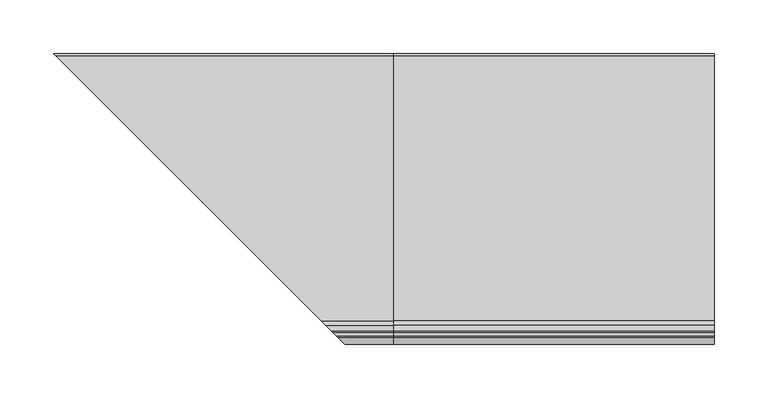
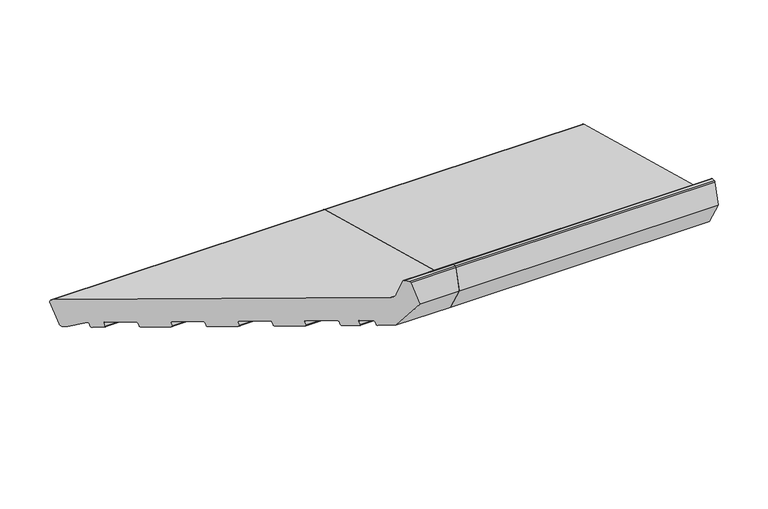
"""IFC4 building model written with IfcOpenShell, lengths in millimetres: proxy geometry."""

from ifc_helpers import new_model, si_unit, point, frame, frame_2d, origin, place, context, project, spatial, polyline, circle_curve, ellipse_curve, trimmed, segment, composite_curve, outline, extrude, source, transform, mapped, element, save
from ifc_brep_helpers import plane_surface, cylinder_surface, revolved_surface, advanced_brep


def generic_models_703a794d(model_context):
    return source(origin(), model_context, "Body", "SolidModel", [
        advanced_brep(
        [(0.0, 24.3497968, 5.5107678), (0.0, 28.0240314, 7.6320881), (0.0, 34.7533266, 32.7461596), (0.0, 32.6320062, 36.4203942), (0.0, -215.1626434, 102.8167705), (0.0, -219.4052841, 107.0594112), (0.0, -224.1879801, 124.908676), (0.0, -225.6368689, 126.0204474), (0.0, -228.9802434, 126.0204474), (0.0, -230.4291321, 124.908676), (0.0, -237.0, 100.3858631), (0.0, -219.3223305, 69.7672413), (0.0, -205.7993689, 66.1437747), (0.0, -204.574624, 66.8508815), (0.0, -203.5393479, 70.7145848), (0.0, -202.314603, 71.4216916), (0.0, -192.6553447, 68.8335011), (0.0, -191.9482379, 67.6087562), (0.0, -192.9835141, 63.7450529), (0.0, -192.2764073, 62.5203081), (0.0, -179.7193716, 59.1556605), (0.0, -178.4946267, 59.8627673), (0.0, -177.4593505, 63.7264706), (0.0, -176.2346057, 64.4335773), (0.0, -153.0523858, 58.2219203), (0.0, -152.3452791, 56.9971754), (0.0, -153.3805552, 53.1334721), (0.0, -152.6734485, 51.9087272), (0.0, -130.4571545, 45.9558892), (0.0, -129.2324096, 46.662996), (0.0, -128.1971334, 50.5266993), (0.0, -126.9723885, 51.233806), (0.0, -103.7901687, 45.022149), (0.0, -103.0830619, 43.7974041), (0.0, -104.1183381, 39.9337008), (0.0, -103.4112313, 38.7089559), (0.0, -81.1949373, 32.7561179), (0.0, -79.9701924, 33.4632247), (0.0, -78.9349163, 37.326928), (0.0, -77.7101714, 38.0340347), (0.0, -54.5279516, 31.8223777), (0.0, -53.8208448, 30.5976328), (0.0, -54.856121, 26.7339295), (0.0, -54.1490142, 25.5091846), (0.0, -31.9327202, 19.5563466), (0.0, -30.7079753, 20.2634534), (0.0, -29.6726991, 24.1271567), (0.0, -28.4479542, 24.8342634), (0.0, -5.2657344, 18.6226064), (0.0, -4.5586276, 17.3978615), (0.0, -5.5939038, 13.5341582), (0.0, -4.886797, 12.3094133), (0.0, 3.8065354, 9.9800419), (0.0, 5.0312803, 10.6871487), (0.0, 5.9805337, 14.2298107), (0.0, 7.4647895, 14.8261724), (0.0, 21.6330192, 6.2387261), (-306.3497968, 24.3497968, 5.5107678), (-310.0240314, 28.0240314, 7.6320881), (-316.7533266, 34.7533266, 32.7461596), (-314.6320062, 32.6320062, 36.4203942), (-66.8373566, -215.1626434, 102.8167705), (-62.5947159, -219.4052841, 107.0594112), (-57.8120199, -224.1879801, 124.908676), (-56.3631311, -225.6368689, 126.0204474), (-53.0197566, -228.9802434, 126.0204474), (-51.5708679, -230.4291321, 124.908676), (-45.0, -237.0, 100.3858631), (-62.6776695, -219.3223305, 69.7672413), (-76.2006311, -205.7993689, 66.1437747), (-77.425376, -204.574624, 66.8508815), (-78.4606521, -203.5393479, 70.7145848), (-79.685397, -202.314603, 71.4216916), (-89.3446553, -192.6553447, 68.8335011), (-90.0517621, -191.9482379, 67.6087562), (-89.0164859, -192.9835141, 63.7450529), (-89.7235927, -192.2764073, 62.5203081), (-102.2806284, -179.7193716, 59.1556605), (-103.5053733, -178.4946267, 59.8627673), (-104.5406495, -177.4593505, 63.7264706), (-105.7653943, -176.2346057, 64.4335773), (-303.6330192, 21.6330192, 6.2387261), (-128.9476142, -153.0523858, 58.2219203), (-128.6194448, -153.3805552, 53.1334721), (-129.3265515, -152.6734485, 51.9087272), (-129.6547209, -152.3452791, 56.9971754), (-151.5428455, -130.4571545, 45.9558892), (-152.7675904, -129.2324096, 46.662996), (-153.8028666, -128.1971334, 50.5266993), (-155.0276115, -126.9723885, 51.233806), (-178.2098313, -103.7901687, 45.022149), (-289.4647895, 7.4647895, 14.8261724), (-287.9805337, 5.9805337, 14.2298107), (-287.0312803, 5.0312803, 10.6871487), (-285.8065354, 3.8065354, 9.9800419), (-277.113203, -4.886797, 12.3094133), (-276.4060962, -5.5939038, 13.5341582), (-277.4413724, -4.5586276, 17.3978615), (-276.7342656, -5.2657344, 18.6226064), (-253.5520458, -28.4479542, 24.8342634), (-252.3273009, -29.6726991, 24.1271567), (-251.2920247, -30.7079753, 20.2634534), (-250.0672798, -31.9327202, 19.5563466), (-227.8509858, -54.1490142, 25.5091846), (-227.143879, -54.856121, 26.7339295), (-228.1791552, -53.8208448, 30.5976328), (-227.4720484, -54.5279516, 31.8223777), (-204.2898286, -77.7101714, 38.0340347), (-203.0650837, -78.9349163, 37.326928), (-202.0298076, -79.9701924, 33.4632247), (-200.8050627, -81.1949373, 32.7561179), (-178.5887687, -103.4112313, 38.7089559), (-177.8816619, -104.1183381, 39.9337008), (-178.9169381, -103.0830619, 43.7974041)],
        [
            (0, 1, circle_curve(frame((0.0, 25.1262539, 8.4085453), z_axis=(1.0, 0.0, 0.0), x_axis=(0.0, 1.0, 0.0)), 3.0)),
            (1, 2),
            (2, 3, circle_curve(frame((0.0, 31.8555491, 33.5226168), z_axis=(1.0, 0.0, 0.0), x_axis=(0.0, 1.0, 0.0)), 3.0)),
            (3, 4),
            (4, 5, circle_curve(frame((0.0, -213.6097291, 108.6123254), z_axis=(-1.0, 0.0, 0.0), x_axis=(0.0, 1.0, 0.0)), 6.0)),
            (5, 6),
            (6, 7, circle_curve(frame((0.0, -225.6368689, 124.5204474), z_axis=(1.0, 0.0, 0.0), x_axis=(0.0, 1.0, 0.0)), 1.5)),
            (7, 8),
            (8, 9, circle_curve(frame((0.0, -228.9802434, 124.5204474), z_axis=(1.0, 0.0, 0.0), x_axis=(0.0, 1.0, 0.0)), 1.5)),
            (9, 10),
            (10, 11),
            (11, 12),
            (12, 13, circle_curve(frame((0.0, -205.5405499, 67.1097005), z_axis=(1.0, 0.0, 0.0), x_axis=(0.0, 1.0, 0.0)), 1.0)),
            (13, 14),
            (14, 15, circle_curve(frame((0.0, -202.573422, 70.4557657), z_axis=(-1.0, 0.0, 0.0), x_axis=(0.0, 1.0, 0.0)), 1.0)),
            (15, 16),
            (16, 17, circle_curve(frame((0.0, -192.9141638, 67.8675753), z_axis=(-1.0, 0.0, 0.0), x_axis=(0.0, 1.0, 0.0)), 1.0)),
            (17, 18),
            (18, 19, circle_curve(frame((0.0, -192.0175883, 63.4862339), z_axis=(1.0, 0.0, 0.0), x_axis=(0.0, 1.0, 0.0)), 1.0)),
            (19, 20),
            (20, 21, circle_curve(frame((0.0, -179.4605525, 60.1215863), z_axis=(1.0, 0.0, 0.0), x_axis=(0.0, 1.0, 0.0)), 1.0)),
            (21, 22),
            (22, 23, circle_curve(frame((0.0, -176.4934247, 63.4676515), z_axis=(-1.0, 0.0, 0.0), x_axis=(0.0, 1.0, 0.0)), 1.0)),
            (23, 24),
            (24, 25, circle_curve(frame((0.0, -153.3112049, 57.2559944), z_axis=(-1.0, 0.0, 0.0), x_axis=(0.0, 1.0, 0.0)), 1.0)),
            (25, 26),
            (26, 27, circle_curve(frame((0.0, -152.4146294, 52.874653), z_axis=(1.0, 0.0, 0.0), x_axis=(0.0, 1.0, 0.0)), 1.0)),
            (27, 28),
            (28, 29, circle_curve(frame((0.0, -130.1983354, 46.921815), z_axis=(1.0, 0.0, 0.0), x_axis=(0.0, 1.0, 0.0)), 1.0)),
            (29, 30),
            (30, 31, circle_curve(frame((0.0, -127.2312076, 50.2678802), z_axis=(-1.0, 0.0, 0.0), x_axis=(0.0, 1.0, 0.0)), 1.0)),
            (31, 32),
            (32, 33, circle_curve(frame((0.0, -104.0489877, 44.0562231), z_axis=(-1.0, 0.0, 0.0), x_axis=(0.0, 1.0, 0.0)), 1.0)),
            (33, 34),
            (34, 35, circle_curve(frame((0.0, -103.1524123, 39.6748817), z_axis=(1.0, 0.0, 0.0), x_axis=(0.0, 1.0, 0.0)), 1.0)),
            (35, 36),
            (36, 37, circle_curve(frame((0.0, -80.9361183, 33.7220437), z_axis=(1.0, 0.0, 0.0), x_axis=(0.0, 1.0, 0.0)), 1.0)),
            (37, 38),
            (38, 39, circle_curve(frame((0.0, -77.9689904, 37.0681089), z_axis=(-1.0, 0.0, 0.0), x_axis=(0.0, 1.0, 0.0)), 1.0)),
            (39, 40),
            (40, 41, circle_curve(frame((0.0, -54.7867706, 30.8564518), z_axis=(-1.0, 0.0, 0.0), x_axis=(0.0, 1.0, 0.0)), 1.0)),
            (41, 42),
            (42, 43, circle_curve(frame((0.0, -53.8901951, 26.4751104), z_axis=(1.0, 0.0, 0.0), x_axis=(0.0, 1.0, 0.0)), 1.0)),
            (43, 44),
            (44, 45, circle_curve(frame((0.0, -31.6739011, 20.5222724), z_axis=(1.0, 0.0, 0.0), x_axis=(0.0, 1.0, 0.0)), 1.0)),
            (45, 46),
            (46, 47, circle_curve(frame((0.0, -28.7067733, 23.8683376), z_axis=(-1.0, 0.0, 0.0), x_axis=(0.0, 1.0, 0.0)), 1.0)),
            (47, 48),
            (48, 49, circle_curve(frame((0.0, -5.5245535, 17.6566805), z_axis=(-1.0, 0.0, 0.0), x_axis=(0.0, 1.0, 0.0)), 1.0)),
            (49, 50),
            (50, 51, circle_curve(frame((0.0, -4.627978, 13.2753391), z_axis=(1.0, 0.0, 0.0), x_axis=(0.0, 1.0, 0.0)), 1.0)),
            (51, 52),
            (52, 53, circle_curve(frame((0.0, 4.0653544, 10.9459677), z_axis=(1.0, 0.0, 0.0), x_axis=(0.0, 1.0, 0.0)), 1.0)),
            (53, 54),
            (54, 55, circle_curve(frame((0.0, 6.9464595, 13.9709917), z_axis=(-1.0, 0.0, 0.0), x_axis=(0.0, 1.0, 0.0)), 1.0)),
            (55, 56),
            (56, 0),
            (0, 57),
            (57, 58, ellipse_curve(frame((-307.1262539, 25.1262539, 8.4085453), z_axis=(0.707106781186548, 0.7071067811865471, 0.0), x_axis=(-0.707106781186547, 0.707106781186548, 0.0)), 4.2426407, 3.0)),
            (58, 1),
            (58, 59),
            (59, 2),
            (59, 60, ellipse_curve(frame((-313.8555491, 31.8555491, 33.5226168), z_axis=(0.707106781186548, 0.7071067811865471, 0.0), x_axis=(-0.707106781186547, 0.707106781186548, 0.0)), 4.2426407, 3.0)),
            (60, 3),
            (60, 61),
            (61, 4),
            (61, 62, ellipse_curve(frame((-68.3902709, -213.6097291, 108.6123254), z_axis=(-0.707106781186548, -0.7071067811865471, 0.0), x_axis=(0.707106781186547, -0.707106781186548, 0.0)), 8.4852814, 6.0)),
            (62, 5),
            (62, 63),
            (63, 6),
            (63, 64, ellipse_curve(frame((-56.3631311, -225.6368689, 124.5204474), z_axis=(0.707106781186548, 0.7071067811865471, 0.0), x_axis=(-0.707106781186547, 0.707106781186548, 0.0)), 2.1213203, 1.5)),
            (64, 7),
            (64, 65),
            (65, 8),
            (65, 66, ellipse_curve(frame((-53.0197566, -228.9802434, 124.5204474), z_axis=(0.707106781186548, 0.7071067811865471, 0.0), x_axis=(-0.707106781186547, 0.707106781186548, 0.0)), 2.1213203, 1.5)),
            (66, 9),
            (66, 67),
            (67, 10),
            (67, 68),
            (68, 11),
            (68, 69),
            (69, 12),
            (69, 70, ellipse_curve(frame((-76.4594501, -205.5405499, 67.1097005), z_axis=(0.707106781186548, 0.7071067811865471, 0.0), x_axis=(-0.707106781186547, 0.707106781186548, 0.0)), 1.4142136, 1.0)),
            (70, 13),
            (70, 71),
            (71, 14),
            (71, 72, ellipse_curve(frame((-79.426578, -202.573422, 70.4557657), z_axis=(-0.707106781186548, -0.7071067811865471, 0.0), x_axis=(0.707106781186547, -0.707106781186548, 0.0)), 1.4142136, 1.0)),
            (72, 15),
            (72, 73),
            (73, 16),
            (73, 74, ellipse_curve(frame((-89.0858362, -192.9141638, 67.8675753), z_axis=(-0.707106781186548, -0.7071067811865471, 0.0), x_axis=(0.707106781186547, -0.707106781186548, 0.0)), 1.4142136, 1.0)),
            (74, 17),
            (74, 75),
            (75, 18),
            (75, 76, ellipse_curve(frame((-89.9824117, -192.0175883, 63.4862339), z_axis=(0.707106781186548, 0.7071067811865471, 0.0), x_axis=(-0.707106781186547, 0.707106781186548, 0.0)), 1.4142136, 1.0)),
            (76, 19),
            (76, 77),
            (77, 20),
            (77, 78, ellipse_curve(frame((-102.5394475, -179.4605525, 60.1215863), z_axis=(0.707106781186548, 0.7071067811865471, 0.0), x_axis=(-0.707106781186547, 0.707106781186548, 0.0)), 1.4142136, 1.0)),
            (78, 21),
            (78, 79),
            (79, 22),
            (79, 80, ellipse_curve(frame((-105.5065753, -176.4934247, 63.4676515), z_axis=(-0.707106781186548, -0.7071067811865471, 0.0), x_axis=(0.707106781186547, -0.707106781186548, 0.0)), 1.4142136, 1.0)),
            (80, 23),
            (56, 81),
            (81, 57),
            (80, 82),
            (82, 24),
            (26, 83),
            (83, 84, ellipse_curve(frame((-129.5853706, -152.4146294, 52.874653), z_axis=(0.707106781186548, 0.7071067811865471, 0.0), x_axis=(-0.707106781186547, 0.707106781186548, 0.0)), 1.4142136, 1.0)),
            (84, 27),
            (25, 85),
            (85, 83),
            (82, 85, ellipse_curve(frame((-128.6887951, -153.3112049, 57.2559944), z_axis=(-0.707106781186548, -0.7071067811865471, 0.0), x_axis=(0.707106781186547, -0.707106781186548, 0.0)), 1.4142136, 1.0)),
            (84, 86),
            (86, 28),
            (86, 87, ellipse_curve(frame((-151.8016646, -130.1983354, 46.921815), z_axis=(0.707106781186548, 0.7071067811865471, 0.0), x_axis=(-0.707106781186547, 0.707106781186548, 0.0)), 1.4142136, 1.0)),
            (87, 29),
            (87, 88),
            (88, 30),
            (88, 89, ellipse_curve(frame((-154.7687924, -127.2312076, 50.2678802), z_axis=(-0.707106781186548, -0.7071067811865471, 0.0), x_axis=(0.707106781186547, -0.707106781186548, 0.0)), 1.4142136, 1.0)),
            (89, 31),
            (89, 90),
            (90, 32),
            (81, 91),
            (91, 92, ellipse_curve(frame((-288.9464595, 6.9464595, 13.9709917), z_axis=(0.707106781186548, 0.7071067811865471, 0.0), x_axis=(0.707106781186547, -0.707106781186548, 0.0)), 1.4142136, 1.0)),
            (92, 93),
            (93, 94, ellipse_curve(frame((-286.0653544, 4.0653544, 10.9459677), z_axis=(-0.707106781186548, -0.7071067811865471, 0.0), x_axis=(-0.707106781186547, 0.707106781186548, 0.0)), 1.4142136, 1.0)),
            (94, 95),
            (95, 96, ellipse_curve(frame((-277.372022, -4.627978, 13.2753391), z_axis=(-0.707106781186548, -0.7071067811865471, 0.0), x_axis=(-0.707106781186547, 0.707106781186548, 0.0)), 1.4142136, 1.0)),
            (96, 97),
            (97, 98, ellipse_curve(frame((-276.4754465, -5.5245535, 17.6566805), z_axis=(0.707106781186548, 0.7071067811865471, 0.0), x_axis=(0.707106781186547, -0.707106781186548, 0.0)), 1.4142136, 1.0)),
            (98, 99),
            (99, 100, ellipse_curve(frame((-253.2932267, -28.7067733, 23.8683376), z_axis=(0.707106781186548, 0.7071067811865471, 0.0), x_axis=(0.707106781186547, -0.707106781186548, 0.0)), 1.4142136, 1.0)),
            (100, 101),
            (101, 102, ellipse_curve(frame((-250.3260989, -31.6739011, 20.5222724), z_axis=(-0.707106781186548, -0.7071067811865471, 0.0), x_axis=(-0.707106781186547, 0.707106781186548, 0.0)), 1.4142136, 1.0)),
            (102, 103),
            (103, 104, ellipse_curve(frame((-228.1098049, -53.8901951, 26.4751104), z_axis=(-0.707106781186548, -0.7071067811865471, 0.0), x_axis=(-0.707106781186547, 0.707106781186548, 0.0)), 1.4142136, 1.0)),
            (104, 105),
            (105, 106, ellipse_curve(frame((-227.2132294, -54.7867706, 30.8564518), z_axis=(0.707106781186548, 0.7071067811865471, 0.0), x_axis=(0.707106781186547, -0.707106781186548, 0.0)), 1.4142136, 1.0)),
            (106, 107),
            (107, 108, ellipse_curve(frame((-204.0310096, -77.9689904, 37.0681089), z_axis=(0.707106781186548, 0.7071067811865471, 0.0), x_axis=(0.707106781186547, -0.707106781186548, 0.0)), 1.4142136, 1.0)),
            (108, 109),
            (109, 110, ellipse_curve(frame((-201.0638817, -80.9361183, 33.7220437), z_axis=(-0.707106781186548, -0.7071067811865471, 0.0), x_axis=(-0.707106781186547, 0.707106781186548, 0.0)), 1.4142136, 1.0)),
            (110, 111),
            (111, 112, ellipse_curve(frame((-178.8475877, -103.1524123, 39.6748817), z_axis=(-0.707106781186548, -0.7071067811865471, 0.0), x_axis=(-0.707106781186547, 0.707106781186548, 0.0)), 1.4142136, 1.0)),
            (112, 113),
            (113, 90, ellipse_curve(frame((-177.9510123, -104.0489877, 44.0562231), z_axis=(0.707106781186548, 0.7071067811865471, 0.0), x_axis=(0.707106781186547, -0.707106781186548, 0.0)), 1.4142136, 1.0)),
            (39, 107),
            (106, 40),
            (38, 108),
            (37, 109),
            (36, 110),
            (35, 111),
            (34, 112),
            (33, 113),
            (47, 99),
            (98, 48),
            (46, 100),
            (45, 101),
            (44, 102),
            (43, 103),
            (42, 104),
            (41, 105),
            (55, 91),
            (54, 92),
            (53, 93),
            (52, 94),
            (51, 95),
            (50, 96),
            (49, 97),
        ],
        [
            plane_surface(frame((0.0, 0.0, 0.0), z_axis=(1.0, 0.0, 0.0), x_axis=(0.0, 0.0, 1.0))),
            cylinder_surface(frame((-317.4826586, 25.1262539, 8.4085453), z_axis=(-1.0, 0.0, 0.0), x_axis=(0.0, 1.0, 0.0)), 3.0),
            plane_surface(frame((-317.4826586, 34.7533266, 32.7461596), z_axis=(0.0, 0.9659258262890676, -0.2588190451025235), x_axis=(1.0, 0.0, 0.0))),
            cylinder_surface(frame((-317.4826586, 31.8555491, 33.5226168), z_axis=(-1.0, 0.0, 0.0), x_axis=(0.0, 1.0, 0.0)), 3.0),
            plane_surface(frame((-317.4826586, -215.1626434, 102.8167705), z_axis=(0.0, 0.2588190451025206, 0.9659258262890683), x_axis=(1.0, 0.0, 0.0))),
            revolved_surface(polyline([(0.0, -207.6097291, 108.6123254), (-74.39027091821609, -207.6097291, 108.6123254)]), (-317.4826586, -213.6097291, 108.6123254), (1.0, 0.0, 0.0)),
            plane_surface(frame((-317.4826586, -224.1879801, 124.908676), z_axis=(0.0, 0.96592582628907, 0.2588190451025146), x_axis=(1.0, 0.0, 0.0))),
            cylinder_surface(frame((-317.4826586, -225.6368689, 124.5204474), z_axis=(-1.0, 0.0, 0.0), x_axis=(0.0, 1.0, 0.0)), 1.5),
            plane_surface(frame((-317.4826586, -228.9802434, 126.0204474), z_axis=(0.0, 0.0, 1.0), x_axis=(1.0, 0.0, 0.0))),
            cylinder_surface(frame((-317.4826586, -228.9802434, 124.5204474), z_axis=(-1.0, 0.0, 0.0), x_axis=(0.0, 1.0, 0.0)), 1.5),
            plane_surface(frame((-317.4826586, -237.0, 100.3858631), z_axis=(0.0, -0.9659258262890683, 0.2588190451025209), x_axis=(1.0, 0.0, 0.0))),
            plane_surface(frame((-317.4826586, -219.3223305, 69.7672413), z_axis=(0.0, -0.8660254037844384, -0.5000000000000007), x_axis=(1.0, 0.0, 0.0))),
            plane_surface(frame((-317.4826586, -205.7993689, 66.1437747), z_axis=(0.0, -0.2588190451025184, -0.965925826289069), x_axis=(1.0, 0.0, 0.0))),
            cylinder_surface(frame((-317.4826586, -205.5405499, 67.1097005), z_axis=(-1.0, 0.0, 0.0), x_axis=(0.0, 1.0, 0.0)), 1.0),
            plane_surface(frame((-317.4826586, -203.5393479, 70.7145848), z_axis=(0.0, 0.9659258262890633, -0.25881904510253945), x_axis=(1.0, 0.0, 0.0))),
            revolved_surface(polyline([(0.0, -201.573422, 70.4557657), (-80.42657802660625, -201.573422, 70.4557657)]), (-317.4826586, -202.573422, 70.4557657), (1.0, 0.0, 0.0)),
            plane_surface(frame((-317.4826586, -192.6553447, 68.8335011), z_axis=(0.0, -0.25881904510251835, -0.965925826289069), x_axis=(1.0, 0.0, 0.0))),
            revolved_surface(polyline([(0.0, -191.9141638, 67.8675753), (-90.08583622660626, -191.9141638, 67.8675753)]), (-317.4826586, -192.9141638, 67.8675753), (1.0, 0.0, 0.0)),
            plane_surface(frame((-317.4826586, -192.9835141, 63.7450529), z_axis=(0.0, -0.9659258262890634, 0.2588190451025389), x_axis=(1.0, 0.0, 0.0))),
            cylinder_surface(frame((-317.4826586, -192.0175883, 63.4862339), z_axis=(-1.0, 0.0, 0.0), x_axis=(0.0, 1.0, 0.0)), 1.0),
            plane_surface(frame((-317.4826586, -179.7193716, 59.1556605), z_axis=(0.0, -0.2588190451025211, -0.9659258262890682), x_axis=(1.0, 0.0, 0.0))),
            cylinder_surface(frame((-317.4826586, -179.4605525, 60.1215863), z_axis=(-1.0, 0.0, 0.0), x_axis=(0.0, 1.0, 0.0)), 1.0),
            plane_surface(frame((-317.4826586, -177.4593505, 63.7264706), z_axis=(0.0, 0.9659258262890634, -0.2588190451025389), x_axis=(1.0, 0.0, 0.0))),
            revolved_surface(polyline([(0.0, -175.4934247, 63.4676515), (-106.50657532660625, -175.4934247, 63.4676515)]), (-317.4826586, -176.4934247, 63.4676515), (1.0, 0.0, 0.0)),
            plane_surface(frame((-317.4826586, 24.3497968, 5.5107678), z_axis=(0.0, -0.2588190451025044, -0.9659258262890728), x_axis=(1.0, 0.0, 0.0))),
            plane_surface(frame((-317.4826586, -153.0523858, 58.2219203), z_axis=(0.0, -0.2588190451025228, -0.9659258262890678), x_axis=(1.0, 0.0, 0.0))),
            cylinder_surface(frame((-317.4826586, -152.4146294, 52.874653), z_axis=(-1.0, 0.0, 0.0), x_axis=(0.0, 1.0, 0.0)), 1.0),
            plane_surface(frame((-317.4826586, -153.3805552, 53.1334721), z_axis=(0.0, -0.9659258262890634, 0.2588190451025389), x_axis=(1.0, 0.0, 0.0))),
            revolved_surface(polyline([(0.0, -152.3112049, 57.2559944), (-129.68879512660624, -152.3112049, 57.2559944)]), (-317.4826586, -153.3112049, 57.2559944), (1.0, 0.0, 0.0)),
            plane_surface(frame((-317.4826586, -130.4571545, 45.9558892), z_axis=(0.0, -0.2588190451025197, -0.9659258262890685), x_axis=(1.0, 0.0, 0.0))),
            cylinder_surface(frame((-317.4826586, -130.1983354, 46.921815), z_axis=(-1.0, 0.0, 0.0), x_axis=(0.0, 1.0, 0.0)), 1.0),
            plane_surface(frame((-317.4826586, -128.1971334, 50.5266993), z_axis=(0.0, 0.9659258262890634, -0.2588190451025389), x_axis=(1.0, 0.0, 0.0))),
            revolved_surface(polyline([(0.0, -126.2312076, 50.2678802), (-155.76879242660624, -126.2312076, 50.2678802)]), (-317.4826586, -127.2312076, 50.2678802), (1.0, 0.0, 0.0)),
            plane_surface(frame((-317.4826586, -103.7901687, 45.022149), z_axis=(0.0, -0.2588190451025182, -0.965925826289069), x_axis=(1.0, 0.0, 0.0))),
            plane_surface(frame((-263.2588285, -18.7411715, 0.0), z_axis=(-0.707106781186548, -0.7071067811865471, 0.0), x_axis=(0.0, 0.0, 1.0))),
            plane_surface(frame((-317.4826586, -54.5279516, 31.8223777), z_axis=(0.0, -0.2588190451025182, -0.965925826289069), x_axis=(1.0, 0.0, 0.0))),
            revolved_surface(polyline([(0.0, -76.9689904, 37.0681089), (-205.03100962660625, -76.9689904, 37.0681089)]), (-317.4826586, -77.9689904, 37.0681089), (1.0, 0.0, 0.0)),
            plane_surface(frame((-317.4826586, -78.9349163, 37.326928), z_axis=(0.0, 0.9659258262890623, -0.2588190451025431), x_axis=(1.0, 0.0, 0.0))),
            cylinder_surface(frame((-317.4826586, -80.9361183, 33.7220437), z_axis=(-1.0, 0.0, 0.0), x_axis=(0.0, 1.0, 0.0)), 1.0),
            plane_surface(frame((-317.4826586, -81.1949373, 32.7561179), z_axis=(0.0, -0.2588190451025201, -0.9659258262890685), x_axis=(1.0, 0.0, 0.0))),
            cylinder_surface(frame((-317.4826586, -103.1524123, 39.6748817), z_axis=(-1.0, 0.0, 0.0), x_axis=(0.0, 1.0, 0.0)), 1.0),
            plane_surface(frame((-317.4826586, -104.1183381, 39.9337008), z_axis=(0.0, -0.9659258262890634, 0.2588190451025389), x_axis=(1.0, 0.0, 0.0))),
            revolved_surface(polyline([(0.0, -103.0489877, 44.0562231), (-178.95101232660625, -103.0489877, 44.0562231)]), (-317.4826586, -104.0489877, 44.0562231), (1.0, 0.0, 0.0)),
            plane_surface(frame((-317.4826586, -5.2657344, 18.6226064), z_axis=(0.0, -0.25881904510252035, -0.9659258262890684), x_axis=(1.0, 0.0, 0.0))),
            revolved_surface(polyline([(0.0, -27.7067733, 23.8683376), (-254.29322672660624, -27.7067733, 23.8683376)]), (-317.4826586, -28.7067733, 23.8683376), (1.0, 0.0, 0.0)),
            plane_surface(frame((-317.4826586, -29.6726991, 24.1271567), z_axis=(0.0, 0.9659258262890703, -0.2588190451025135), x_axis=(1.0, 0.0, 0.0))),
            cylinder_surface(frame((-317.4826586, -31.6739011, 20.5222724), z_axis=(-1.0, 0.0, 0.0), x_axis=(0.0, 1.0, 0.0)), 1.0),
            plane_surface(frame((-317.4826586, -31.9327202, 19.5563466), z_axis=(0.0, -0.2588190451025211, -0.9659258262890682), x_axis=(1.0, 0.0, 0.0))),
            cylinder_surface(frame((-317.4826586, -53.8901951, 26.4751104), z_axis=(-1.0, 0.0, 0.0), x_axis=(0.0, 1.0, 0.0)), 1.0),
            plane_surface(frame((-317.4826586, -54.856121, 26.7339295), z_axis=(0.0, -0.9659258262890782, 0.2588190451024839), x_axis=(1.0, 0.0, 0.0))),
            revolved_surface(polyline([(0.0, -53.7867706, 30.8564518), (-228.21322942660623, -53.7867706, 30.8564518)]), (-317.4826586, -54.7867706, 30.8564518), (1.0, 0.0, 0.0)),
            plane_surface(frame((-317.4826586, 21.6330192, 6.2387261), z_axis=(0.0, -0.51832998343298, -0.8551806991942502), x_axis=(1.0, 0.0, 0.0))),
            revolved_surface(polyline([(0.0, 7.9464595, 13.9709917), (-289.94645952660625, 7.9464595, 13.9709917)]), (-317.4826586, 6.9464595, 13.9709917), (1.0, 0.0, 0.0)),
            plane_surface(frame((-317.4826586, 5.9805337, 14.2298107), z_axis=(0.0, 0.9659258262890684, -0.2588190451025206), x_axis=(1.0, 0.0, 0.0))),
            cylinder_surface(frame((-317.4826586, 4.0653544, 10.9459677), z_axis=(-1.0, 0.0, 0.0), x_axis=(0.0, 1.0, 0.0)), 1.0),
            plane_surface(frame((-317.4826586, 3.8065354, 9.9800419), z_axis=(0.0, -0.2588190451025218, -0.9659258262890681), x_axis=(1.0, 0.0, 0.0))),
            cylinder_surface(frame((-317.4826586, -4.627978, 13.2753391), z_axis=(-1.0, 0.0, 0.0), x_axis=(0.0, 1.0, 0.0)), 1.0),
            plane_surface(frame((-317.4826586, -5.5939038, 13.5341582), z_axis=(0.0, -0.9659258262890701, 0.25881904510251386), x_axis=(1.0, 0.0, 0.0))),
            revolved_surface(polyline([(0.0, -4.5245535, 17.6566805), (-277.4754465266062, -4.5245535, 17.6566805)]), (-317.4826586, -5.5245535, 17.6566805), (1.0, 0.0, 0.0)),
        ],
        [
            (0, [[1, 2, 3, 4, 5, 6, 7, 8, 9, 10, 11, 12, 13, 14, 15, 16, 17, 18, 19, 20, 21, 22, 23, 24, 25, 26, 27, 28, 29, 30, 31, 32, 33, 34, 35, 36, 37, 38, 39, 40, 41, 42, 43, 44, 45, 46, 47, 48, 49, 50, 51, 52, 53, 54, 55, 56, 57]]),
            (1, [[-1, 58, 59, 60]]),
            (2, [[-2, -60, 61, 62]]),
            (3, [[-3, -62, 63, 64]]),
            (4, [[-4, -64, 65, 66]]),
            (5, [[-5, -66, 67, 68]]),
            (6, [[-6, -68, 69, 70]]),
            (7, [[-7, -70, 71, 72]]),
            (8, [[-8, -72, 73, 74]]),
            (9, [[-9, -74, 75, 76]]),
            (10, [[-10, -76, 77, 78]]),
            (11, [[-11, -78, 79, 80]]),
            (12, [[-12, -80, 81, 82]]),
            (13, [[-13, -82, 83, 84]]),
            (14, [[-14, -84, 85, 86]]),
            (15, [[-15, -86, 87, 88]]),
            (16, [[-16, -88, 89, 90]]),
            (17, [[-17, -90, 91, 92]]),
            (18, [[-18, -92, 93, 94]]),
            (19, [[-19, -94, 95, 96]]),
            (20, [[-20, -96, 97, 98]]),
            (21, [[-21, -98, 99, 100]]),
            (22, [[-22, -100, 101, 102]]),
            (23, [[-23, -102, 103, 104]]),
            (24, [[-57, 105, 106, -58]]),
            (25, [[-24, -104, 107, 108]]),
            (26, [[-27, 109, 110, 111]]),
            (27, [[-26, 112, 113, -109]]),
            (28, [[-25, -108, 114, -112]]),
            (29, [[-28, -111, 115, 116]]),
            (30, [[-29, -116, 117, 118]]),
            (31, [[-30, -118, 119, 120]]),
            (32, [[-31, -120, 121, 122]]),
            (33, [[-32, -122, 123, 124]]),
            (34, [[-59, -106, 125, 126, 127, 128, 129, 130, 131, 132, 133, 134, 135, 136, 137, 138, 139, 140, 141, 142, 143, 144, 145, 146, 147, 148, -123, -121, -119, -117, -115, -110, -113, -114, -107, -103, -101, -99, -97, -95, -93, -91, -89, -87, -85, -83, -81, -79, -77, -75, -73, -71, -69, -67, -65, -63, -61]]),
            (35, [[-40, 149, -141, 150]]),
            (36, [[-39, 151, -142, -149]]),
            (37, [[-38, 152, -143, -151]]),
            (38, [[-37, 153, -144, -152]]),
            (39, [[-36, 154, -145, -153]]),
            (40, [[-35, 155, -146, -154]]),
            (41, [[-34, 156, -147, -155]]),
            (42, [[-33, -124, -148, -156]]),
            (43, [[-48, 157, -133, 158]]),
            (44, [[-47, 159, -134, -157]]),
            (45, [[-46, 160, -135, -159]]),
            (46, [[-45, 161, -136, -160]]),
            (47, [[-44, 162, -137, -161]]),
            (48, [[-43, 163, -138, -162]]),
            (49, [[-42, 164, -139, -163]]),
            (50, [[-41, -150, -140, -164]]),
            (51, [[-56, 165, -125, -105]]),
            (52, [[-55, 166, -126, -165]]),
            (53, [[-54, 167, -127, -166]]),
            (54, [[-53, 168, -128, -167]]),
            (55, [[-52, 169, -129, -168]]),
            (56, [[-51, 170, -130, -169]]),
            (57, [[-50, 171, -131, -170]]),
            (58, [[-49, -158, -132, -171]]),
        ],
    ),
        extrude(outline(composite_curve([segment(polyline([(24.3497968, 5.5107678), (21.6330192, 6.2387261), (7.4647895, 14.8261724)]), True, "CONTINUOUS"), segment(trimmed(circle_curve(frame_2d((6.9464595, 13.9709917)), 1.0), [point((7.4647895, 14.8261724))], [point((5.9805337, 14.2298107))], True, "CARTESIAN"), True, "CONTINUOUS"), segment(polyline([(5.9805337, 14.2298107), (5.0312803, 10.6871487)]), True, "CONTINUOUS"), segment(trimmed(circle_curve(frame_2d((4.0653544, 10.9459677)), 1.0), [point((5.0312803, 10.6871487))], [point((3.8065354, 9.9800419))], False, "CARTESIAN"), True, "CONTINUOUS"), segment(polyline([(3.8065354, 9.9800419), (-4.886797, 12.3094133)]), True, "CONTINUOUS"), segment(trimmed(circle_curve(frame_2d((-4.627978, 13.2753391)), 1.0), [point((-4.886797, 12.3094133))], [point((-5.5939038, 13.5341582))], False, "CARTESIAN"), True, "CONTINUOUS"), segment(polyline([(-5.5939038, 13.5341582), (-4.5586276, 17.3978615)]), True, "CONTINUOUS"), segment(trimmed(circle_curve(frame_2d((-5.5245535, 17.6566805)), 1.0), [point((-4.5586276, 17.3978615))], [point((-5.2657344, 18.6226064))], True, "CARTESIAN"), True, "CONTINUOUS"), segment(polyline([(-5.2657344, 18.6226064), (-28.4479542, 24.8342634)]), True, "CONTINUOUS"), segment(trimmed(circle_curve(frame_2d((-28.7067733, 23.8683376)), 1.0), [point((-28.4479542, 24.8342634))], [point((-29.6726991, 24.1271567))], True, "CARTESIAN"), True, "CONTINUOUS"), segment(polyline([(-29.6726991, 24.1271567), (-30.7079753, 20.2634534)]), True, "CONTINUOUS"), segment(trimmed(circle_curve(frame_2d((-31.6739011, 20.5222724)), 1.0), [point((-30.7079753, 20.2634534))], [point((-31.9327202, 19.5563466))], False, "CARTESIAN"), True, "CONTINUOUS"), segment(polyline([(-31.9327202, 19.5563466), (-54.1490142, 25.5091846)]), True, "CONTINUOUS"), segment(trimmed(circle_curve(frame_2d((-53.8901951, 26.4751104)), 1.0), [point((-54.1490142, 25.5091846))], [point((-54.856121, 26.7339295))], False, "CARTESIAN"), True, "CONTINUOUS"), segment(polyline([(-54.856121, 26.7339295), (-53.8208448, 30.5976328)]), True, "CONTINUOUS"), segment(trimmed(circle_curve(frame_2d((-54.7867706, 30.8564518)), 1.0), [point((-53.8208448, 30.5976328))], [point((-54.5279516, 31.8223777))], True, "CARTESIAN"), True, "CONTINUOUS"), segment(polyline([(-54.5279516, 31.8223777), (-77.7101714, 38.0340347)]), True, "CONTINUOUS"), segment(trimmed(circle_curve(frame_2d((-77.9689904, 37.0681089)), 1.0), [point((-77.7101714, 38.0340347))], [point((-78.9349163, 37.326928))], True, "CARTESIAN"), True, "CONTINUOUS"), segment(polyline([(-78.9349163, 37.326928), (-79.9701924, 33.4632247)]), True, "CONTINUOUS"), segment(trimmed(circle_curve(frame_2d((-80.9361183, 33.7220437)), 1.0), [point((-79.9701924, 33.4632247))], [point((-81.1949373, 32.7561179))], False, "CARTESIAN"), True, "CONTINUOUS"), segment(polyline([(-81.1949373, 32.7561179), (-103.4112313, 38.7089559)]), True, "CONTINUOUS"), segment(trimmed(circle_curve(frame_2d((-103.1524123, 39.6748817)), 1.0), [point((-103.4112313, 38.7089559))], [point((-104.1183381, 39.9337008))], False, "CARTESIAN"), True, "CONTINUOUS"), segment(polyline([(-104.1183381, 39.9337008), (-103.0830619, 43.7974041)]), True, "CONTINUOUS"), segment(trimmed(circle_curve(frame_2d((-104.0489877, 44.0562231)), 1.0), [point((-103.0830619, 43.7974041))], [point((-103.7901687, 45.022149))], True, "CARTESIAN"), True, "CONTINUOUS"), segment(polyline([(-103.7901687, 45.022149), (-126.9723885, 51.233806)]), True, "CONTINUOUS"), segment(trimmed(circle_curve(frame_2d((-127.2312076, 50.2678802)), 1.0), [point((-126.9723885, 51.233806))], [point((-128.1971334, 50.5266993))], True, "CARTESIAN"), True, "CONTINUOUS"), segment(polyline([(-128.1971334, 50.5266993), (-129.2324096, 46.662996)]), True, "CONTINUOUS"), segment(trimmed(circle_curve(frame_2d((-130.1983354, 46.921815)), 1.0), [point((-129.2324096, 46.662996))], [point((-130.4571545, 45.9558892))], False, "CARTESIAN"), True, "CONTINUOUS"), segment(polyline([(-130.4571545, 45.9558892), (-152.6734485, 51.9087272)]), True, "CONTINUOUS"), segment(trimmed(circle_curve(frame_2d((-152.4146294, 52.874653)), 1.0), [point((-152.6734485, 51.9087272))], [point((-153.3805552, 53.1334721))], False, "CARTESIAN"), True, "CONTINUOUS"), segment(polyline([(-153.3805552, 53.1334721), (-152.3452791, 56.9971754)]), True, "CONTINUOUS"), segment(trimmed(circle_curve(frame_2d((-153.3112049, 57.2559944)), 1.0), [point((-152.3452791, 56.9971754))], [point((-153.0523858, 58.2219203))], True, "CARTESIAN"), True, "CONTINUOUS"), segment(polyline([(-153.0523858, 58.2219203), (-176.2346057, 64.4335773)]), True, "CONTINUOUS"), segment(trimmed(circle_curve(frame_2d((-176.4934247, 63.4676515)), 1.0), [point((-176.2346057, 64.4335773))], [point((-177.4593505, 63.7264706))], True, "CARTESIAN"), True, "CONTINUOUS"), segment(polyline([(-177.4593505, 63.7264706), (-178.4946267, 59.8627673)]), True, "CONTINUOUS"), segment(trimmed(circle_curve(frame_2d((-179.4605525, 60.1215863)), 1.0), [point((-178.4946267, 59.8627673))], [point((-179.7193716, 59.1556605))], False, "CARTESIAN"), True, "CONTINUOUS"), segment(polyline([(-179.7193716, 59.1556605), (-192.2764073, 62.5203081)]), True, "CONTINUOUS"), segment(trimmed(circle_curve(frame_2d((-192.0175883, 63.4862339)), 1.0), [point((-192.2764073, 62.5203081))], [point((-192.9835141, 63.7450529))], False, "CARTESIAN"), True, "CONTINUOUS"), segment(polyline([(-192.9835141, 63.7450529), (-191.9482379, 67.6087562)]), True, "CONTINUOUS"), segment(trimmed(circle_curve(frame_2d((-192.9141638, 67.8675753)), 1.0), [point((-191.9482379, 67.6087562))], [point((-192.6553447, 68.8335011))], True, "CARTESIAN"), True, "CONTINUOUS"), segment(polyline([(-192.6553447, 68.8335011), (-202.314603, 71.4216916)]), True, "CONTINUOUS"), segment(trimmed(circle_curve(frame_2d((-202.573422, 70.4557657)), 1.0), [point((-202.314603, 71.4216916))], [point((-203.5393479, 70.7145848))], True, "CARTESIAN"), True, "CONTINUOUS"), segment(polyline([(-203.5393479, 70.7145848), (-204.574624, 66.8508815)]), True, "CONTINUOUS"), segment(trimmed(circle_curve(frame_2d((-205.5405499, 67.1097005)), 1.0), [point((-204.574624, 66.8508815))], [point((-205.7993689, 66.1437747))], False, "CARTESIAN"), True, "CONTINUOUS"), segment(polyline([(-205.7993689, 66.1437747), (-219.3223305, 69.7672413), (-237.0, 100.3858631), (-230.4291321, 124.908676)]), True, "CONTINUOUS"), segment(trimmed(circle_curve(frame_2d((-228.9802434, 124.5204474)), 1.5), [point((-230.4291321, 124.908676))], [point((-228.9802434, 126.0204474))], False, "CARTESIAN"), True, "CONTINUOUS"), segment(polyline([(-228.9802434, 126.0204474), (-225.6368689, 126.0204474)]), True, "CONTINUOUS"), segment(trimmed(circle_curve(frame_2d((-225.6368689, 124.5204474)), 1.5), [point((-225.6368689, 126.0204474))], [point((-224.1879801, 124.908676))], False, "CARTESIAN"), True, "CONTINUOUS"), segment(polyline([(-224.1879801, 124.908676), (-219.4052841, 107.0594112)]), True, "CONTINUOUS"), segment(trimmed(circle_curve(frame_2d((-213.6097291, 108.6123254)), 6.0), [point((-219.4052841, 107.0594112))], [point((-215.1626434, 102.8167705))], True, "CARTESIAN"), True, "CONTINUOUS"), segment(polyline([(-215.1626434, 102.8167705), (32.6320062, 36.4203942)]), True, "CONTINUOUS"), segment(trimmed(circle_curve(frame_2d((31.8555491, 33.5226168)), 3.0), [point((32.6320062, 36.4203942))], [point((34.7533266, 32.7461596))], False, "CARTESIAN"), True, "CONTINUOUS"), segment(polyline([(34.7533266, 32.7461596), (28.0240314, 7.6320881)]), True, "CONTINUOUS"), segment(trimmed(circle_curve(frame_2d((25.1262539, 8.4085453)), 3.0), [point((28.0240314, 7.6320881))], [point((24.3497968, 5.5107678))], False, "CARTESIAN"), True, "CONTINUOUS")], self_intersect=False)), frame((0.0, 0.0, 0.0), z_axis=(1.0, 0.0, 0.0), x_axis=(0.0, 1.0, 0.0)), (0.0, 0.0, 1.0), 300.0),
    ])


if __name__ == "__main__":
    model = new_model("IFC4")
    model_context = context("Model", 3, world=origin())
    ifc_project = project(units=[si_unit("LENGTHUNIT", "METRE", prefix="MILLI")], contexts=[model_context])
    site = spatial("IfcSite", under=ifc_project)
    building = spatial("IfcBuilding", under=site)
    placement = place(None, origin())
    generic_models_shape = generic_models_703a794d(model_context)
    element("IfcBuildingElementProxy", 1, Name="Generic Models", at=placement, inside=building, context=model_context, shape_type="MappedRepresentation", body=[
        mapped(generic_models_shape, transform((0.0, 0.0, 0.0), x_axis=(1.0, 0.0, 0.0), y_axis=(0.0, 1.0, 0.0), z_axis=(0.0, 0.0, 1.0))),
    ])
    save(model, "model.ifc")
